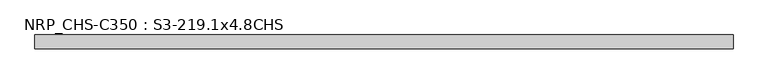
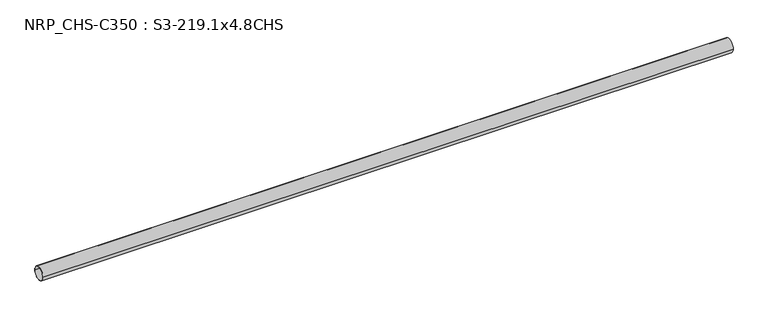
"""IFC4 building model written with IfcOpenShell, lengths in millimetres: beam geometry, NRP_CHS-C350 : S3-219.1x4.8CHS."""

import ifcopenshell
import ifcopenshell.guid

model = None  # the IFC model being written
_history = None  # IfcOwnerHistory: only IFC2X3 demands one
_inside = {}  # id of a spatial element -> (the spatial element, [elements in it])
_under = {}  # id of a project, library or spatial element -> (it, [spatial elements below it])
_declared = {}  # id of a project -> (the project, [libraries it declares])
_typed = {}  # id of a type object -> (the type object, [elements of that type])
_made_of = {}  # id of a material, layer set ... -> (it, [elements and type objects made of it])


def new_model(schema):
    """Start an empty IFC model of exactly this schema.

    Asked for "IFC4X3", IfcOpenShell would pick the latest addendum, in which some entities
    have other attributes; the version numbers below select the first issue.
    IFC2X3 requires an IfcOwnerHistory on every rooted entity: one is made here for all.
    """
    global model, _history
    if schema == "IFC4X3":
        model = ifcopenshell.file(schema_version=(4, 3, 0, 0))
    else:
        model = ifcopenshell.file(schema=schema)
    _inside.clear()
    _under.clear()
    _declared.clear()
    _typed.clear()
    _made_of.clear()
    _history = None
    if model.schema == "IFC2X3":
        org = make("IfcOrganization", Name="unknown")
        user = make(
            "IfcPersonAndOrganization",
            ThePerson=make("IfcPerson", FamilyName="unknown"),
            TheOrganization=org,
        )
        app = make(
            "IfcApplication",
            ApplicationDeveloper=org,
            Version="unknown",
            ApplicationFullName="unknown",
            ApplicationIdentifier="unknown",
        )
        _history = make(
            "IfcOwnerHistory",
            OwningUser=user,
            OwningApplication=app,
            ChangeAction="ADDED",
            CreationDate=0,
        )
    return model


def make(cls, **values):
    """One entity of the class cls with the attributes given. An attribute that is None is left unset."""
    return model.create_entity(
        cls, **{name: value for name, value in values.items() if value is not None}
    )


def rooted(cls, **values):
    """An entity with a GlobalId (a new one), such as an element, a storey or a relation."""
    return make(cls, GlobalId=ifcopenshell.guid.new(), OwnerHistory=_history, **values)


def si_unit(unit_type, name, prefix=None):
    """IfcSIUnit, for example si_unit("LENGTHUNIT", "METRE", prefix="MILLI")."""
    return make("IfcSIUnit", UnitType=unit_type, Prefix=prefix, Name=name)


def assignment(units):
    """IfcUnitAssignment: the units of a project."""
    return None if units is None else make("IfcUnitAssignment", Units=units)


def point(xyz):
    """IfcCartesianPoint."""
    return None if xyz is None else make("IfcCartesianPoint", Coordinates=xyz)


def direction(xyz):
    """IfcDirection."""
    return None if xyz is None else make("IfcDirection", DirectionRatios=xyz)


def frame(location, z_axis=None, x_axis=None):
    """IfcAxis2Placement3D, a coordinate frame: its origin and axes. An axis left out is left unset."""
    return make(
        "IfcAxis2Placement3D",
        Location=point(location),
        Axis=direction(z_axis),
        RefDirection=direction(x_axis),
    )


def frame_2d(location, x_axis=None):
    """IfcAxis2Placement2D, a coordinate frame in the plane: its origin and x axis."""
    return make(
        "IfcAxis2Placement2D", Location=point(location), RefDirection=direction(x_axis)
    )


def origin():
    """The frame at (0, 0, 0) with its axes left unset."""
    return frame((0.0, 0.0, 0.0))


def origin_2d():
    """The frame at (0, 0) in the plane with its x axis left unset."""
    return frame_2d((0.0, 0.0))


def place(relative_to, where):
    """IfcLocalPlacement: puts the frame where relative to a parent placement (None: the world)."""
    return make(
        "IfcLocalPlacement", PlacementRelTo=relative_to, RelativePlacement=where
    )


def context(
    kind, dimensions, precision=None, world=None, true_north=None, identifier=None
):
    """IfcGeometricRepresentationContext, for example the 3D "Model" context."""
    return make(
        "IfcGeometricRepresentationContext",
        ContextIdentifier=identifier,
        ContextType=kind,
        CoordinateSpaceDimension=dimensions,
        Precision=precision,
        WorldCoordinateSystem=world,
        TrueNorth=true_north,
    )


def project(units=None, contexts=None):
    """IfcProject with its units and contexts."""
    return rooted(
        "IfcProject",
        Name="project",
        RepresentationContexts=contexts,
        UnitsInContext=assignment(units),
    )


def spatial(cls, under=None, at=None, **own):
    """A site, building, storey or space (cls), placed at a placement, below another one or the project."""
    s = rooted(cls, ObjectPlacement=at, **own)
    if under is not None:
        _under.setdefault(under.id(), (under, []))[1].append(s)
    return s


def circle_curve(where, radius):
    """IfcCircle in the frame where."""
    return make("IfcCircle", Position=where, Radius=radius)


def trimmed(basis, trim1, trim2, sense, master):
    """IfcTrimmedCurve: the piece of a basis curve between two trims."""
    return make(
        "IfcTrimmedCurve",
        BasisCurve=basis,
        Trim1=trim1,
        Trim2=trim2,
        SenseAgreement=sense,
        MasterRepresentation=master,
    )


def segment(curve, same_sense, transition):
    """IfcCompositeCurveSegment."""
    return make(
        "IfcCompositeCurveSegment",
        Transition=transition,
        SameSense=same_sense,
        ParentCurve=curve,
    )


def composite_curve(segments, self_intersect=None):
    """IfcCompositeCurve: segments joined end to end."""
    return make("IfcCompositeCurve", Segments=segments, SelfIntersect=self_intersect)


def outline(outer, holes=None, kind="AREA"):
    """IfcArbitraryClosedProfileDef: a profile drawn as a closed curve; with holes, ...WithVoids."""
    if holes is None:
        return make("IfcArbitraryClosedProfileDef", ProfileType=kind, OuterCurve=outer)
    return make(
        "IfcArbitraryProfileDefWithVoids",
        ProfileType=kind,
        OuterCurve=outer,
        InnerCurves=holes,
    )


def extrude(swept, where, along, depth):
    """IfcExtrudedAreaSolid: the profile swept, set in the frame where, extruded along a direction by depth."""
    return make(
        "IfcExtrudedAreaSolid",
        SweptArea=swept,
        Position=where,
        ExtrudedDirection=direction(along),
        Depth=depth,
    )


def shape(context_of_items, identifier, shape_type, items):
    """IfcShapeRepresentation: the items that make up one representation, for example the "Body"."""
    return make(
        "IfcShapeRepresentation",
        ContextOfItems=context_of_items,
        RepresentationIdentifier=identifier,
        RepresentationType=shape_type,
        Items=items,
    )


def source(mapping_origin, context_of_items, identifier, shape_type, items):
    """IfcRepresentationMap: a shape defined once, which mapped items show again and again."""
    return make(
        "IfcRepresentationMap",
        MappingOrigin=mapping_origin,
        MappedRepresentation=shape(context_of_items, identifier, shape_type, items),
    )


def transform(
    local_origin,
    x_axis=None,
    y_axis=None,
    z_axis=None,
    scale=None,
    scale2=None,
    scale3=None,
    uniform=True,
):
    """IfcCartesianTransformationOperator3D, or its non-uniform kind. x_axis, y_axis, z_axis: its Axis1, 2, 3."""
    if uniform:
        return make(
            "IfcCartesianTransformationOperator3D",
            Axis1=direction(x_axis),
            Axis2=direction(y_axis),
            LocalOrigin=point(local_origin),
            Scale=scale,
            Axis3=direction(z_axis),
        )
    return make(
        "IfcCartesianTransformationOperator3DnonUniform",
        Axis1=direction(x_axis),
        Axis2=direction(y_axis),
        LocalOrigin=point(local_origin),
        Scale=scale,
        Axis3=direction(z_axis),
        Scale2=scale2,
        Scale3=scale3,
    )


def mapped(mapping_source, mapping_target):
    """IfcMappedItem: shows the shape of a source again, moved by a transform."""
    return make(
        "IfcMappedItem", MappingSource=mapping_source, MappingTarget=mapping_target
    )


def made_of(thing, what):
    """Note that an element or type object is made of a material, layer set ...; save() writes the relation."""
    if what is not None:
        _made_of.setdefault(what.id(), (what, []))[1].append(thing)
    return thing


def element(
    cls,
    number,
    at=None,
    inside=None,
    cuts=None,
    type_object=None,
    material=None,
    context=None,
    identifier="Body",
    shape_type=None,
    held_by="IfcProductDefinitionShape",
    body=None,
    shapes=None,
    **own,
):
    """One element of the class cls, such as IfcWall. Its Tag is "e" and its number.

    at: its placement. inside: the storey or other place that contains it. cuts: it is an
    opening in that element (IfcRelVoidsElement). A single representation is given by context,
    identifier, shape_type and body (its items); several are given by shapes. held_by: the class
    of the entity that holds the representations. save() writes the other relations.
    """
    e = rooted(cls, Tag="e%d" % number, ObjectPlacement=at, **own)
    if body is not None:
        shapes = [shape(context, identifier, shape_type, body)]
    if shapes is not None:
        e.Representation = make(held_by, Representations=shapes)
    if inside is not None:
        _inside.setdefault(inside.id(), (inside, []))[1].append(e)
    if cuts is not None:
        rooted(
            "IfcRelVoidsElement", RelatingBuildingElement=cuts, RelatedOpeningElement=e
        )
    if type_object is not None:
        _typed.setdefault(type_object.id(), (type_object, []))[1].append(e)
    return made_of(e, material)


def aggregate(whole, parts):
    """IfcRelAggregates: a whole, such as a stair, and the parts it consists of."""
    return rooted("IfcRelAggregates", RelatingObject=whole, RelatedObjects=parts)


def save(model, path):
    """Write the relations noted so far, then the file.

    IfcRelAggregates (storeys below a building ...), IfcRelContainedInSpatialStructure (elements
    in a storey), IfcRelDefinesByType, IfcRelAssociatesMaterial and IfcRelDeclares: one each for
    every whole, place, type object, material and project.
    """
    for whole, parts in _under.values():
        aggregate(whole, parts)
    for where, things in _inside.values():
        rooted(
            "IfcRelContainedInSpatialStructure",
            RelatedElements=things,
            RelatingStructure=where,
        )
    for kind, things in _typed.values():
        rooted("IfcRelDefinesByType", RelatedObjects=things, RelatingType=kind)
    for what, things in _made_of.values():
        rooted("IfcRelAssociatesMaterial", RelatedObjects=things, RelatingMaterial=what)
    for by, libraries in _declared.values():
        rooted("IfcRelDeclares", RelatingContext=by, RelatedDefinitions=libraries)
    model.write(path)


def nrp_chs_c350_s3_219_1x4_8chs_a43ba986(model_context):
    return source(origin(), model_context, "Body", "SweptSolid", [
        extrude(outline(composite_curve([segment(trimmed(circle_curve(origin_2d(), 109.55), [point((-109.55, 0.0))], [point((109.55, 0.0))], False, "CARTESIAN"), True, "CONTINUOUS"), segment(trimmed(circle_curve(origin_2d(), 109.55), [point((109.55, 0.0))], [point((-109.55, 0.0))], False, "CARTESIAN"), True, "CONTINUOUS")], self_intersect=False), holes=[composite_curve([segment(trimmed(circle_curve(origin_2d(), 104.75), [point((104.75, 0.0))], [point((-104.75, 0.0))], True, "CARTESIAN"), True, "CONTINUOUS"), segment(trimmed(circle_curve(origin_2d(), 104.75), [point((-104.75, 0.0))], [point((104.75, 0.0))], True, "CARTESIAN"), True, "CONTINUOUS")], self_intersect=False)]), frame((-5637.2, 0.0, 0.0), z_axis=(1.0, 0.0, 0.0), x_axis=(0.0, 1.0, 0.0)), (0.0, 0.0, 1.0), 11048.9),
    ])


if __name__ == "__main__":
    model = new_model("IFC4")
    model_context = context("Model", 3, world=origin())
    ifc_project = project(units=[si_unit("LENGTHUNIT", "METRE", prefix="MILLI")], contexts=[model_context])
    site = spatial("IfcSite", under=ifc_project)
    building = spatial("IfcBuilding", under=site)
    placement = place(None, origin())
    nrp_chs_c350_s3_219_1x4_8chs_shape = nrp_chs_c350_s3_219_1x4_8chs_a43ba986(model_context)
    element("IfcBeam", 1, ObjectType="NRP_CHS-C350 : S3-219.1x4.8CHS", at=placement, inside=building, context=model_context, shape_type="MappedRepresentation", body=[
        mapped(nrp_chs_c350_s3_219_1x4_8chs_shape, transform((0.0, 0.0, 0.0), x_axis=(1.0, 0.0, 0.0), y_axis=(0.0, 1.0, 0.0), z_axis=(0.0, 0.0, 1.0))),
    ])
    save(model, "model.ifc")
